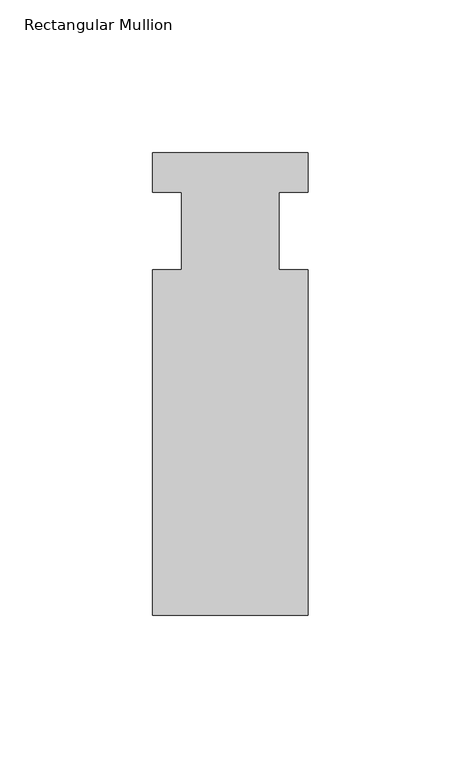
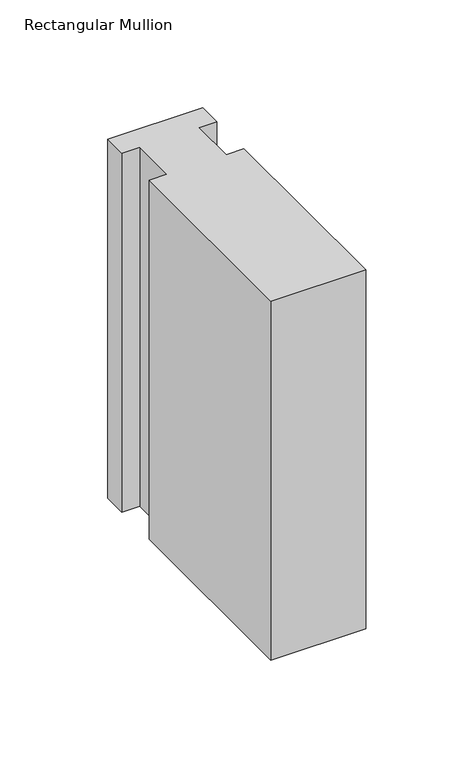
"""IFC4 building model written with IfcOpenShell, lengths in millimetres: member geometry, Rectangular Mullion."""

from ifc_helpers import new_model, si_unit, frame, origin, place, context, project, spatial, polyline, outline, extrude, source, transform, mapped, element, save


def rectangular_mullion_ba0507ee(model_context):
    return source(origin(), model_context, "Body", "SweptSolid", [
        extrude(outline(polyline([(-25.4, 12.88415), (25.4, 12.88415), (25.4, 0.0), (15.875, 0.0), (15.875, -25.4), (25.4, -25.4), (25.4, -138.29665), (-25.4, -138.29665), (-25.4, -25.4), (-15.875, -25.4), (-15.875, 0.0), (-25.4, 0.0), (-25.4, 12.88415)])), frame((0.0, 0.0, -203.2), z_axis=(0.0, 0.0, 1.0), x_axis=(1.0, 0.0, 0.0)), (0.0, 0.0, 1.0), 203.2),
    ])


if __name__ == "__main__":
    model = new_model("IFC4")
    model_context = context("Model", 3, world=origin())
    ifc_project = project(units=[si_unit("LENGTHUNIT", "METRE", prefix="MILLI")], contexts=[model_context])
    site = spatial("IfcSite", under=ifc_project)
    building = spatial("IfcBuilding", under=site)
    placement = place(None, origin())
    rectangular_mullion_shape = rectangular_mullion_ba0507ee(model_context)
    element("IfcMember", 1, ObjectType="Rectangular Mullion", at=placement, inside=building, context=model_context, shape_type="MappedRepresentation", body=[
        mapped(rectangular_mullion_shape, transform((0.0, 0.0, 0.0), x_axis=(1.0, 0.0, 0.0), y_axis=(0.0, 1.0, 0.0), z_axis=(0.0, 0.0, 1.0))),
    ])
    save(model, "model.ifc")
